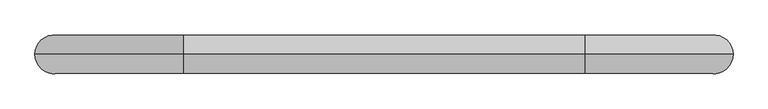
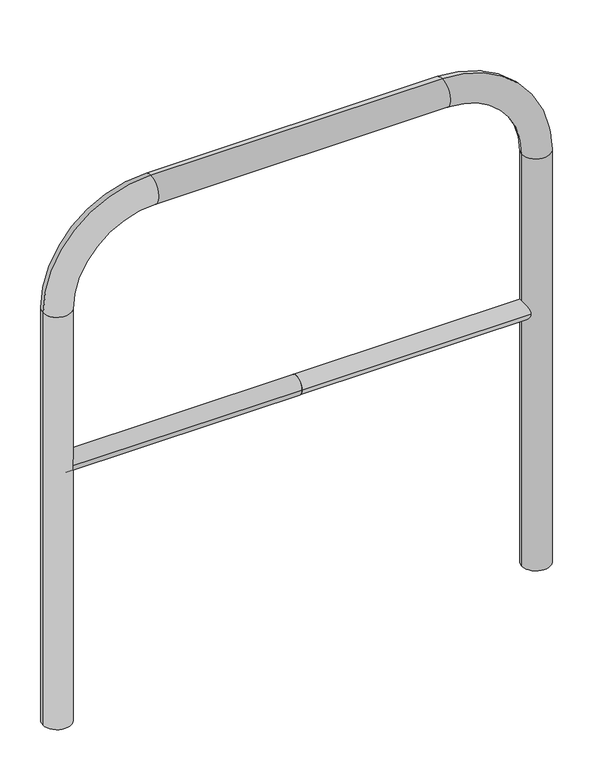
"""IFC4 building model written with IfcOpenShell, lengths in millimetres: proxy geometry."""

from ifc_helpers import new_model, si_unit, point, frame, frame_2d, origin, place, context, project, spatial, circle_curve, ellipse_curve, trimmed, segment, composite_curve, outline, extrude, source, transform, mapped, element, save
from ifc_brep_helpers import plane_surface, cylinder_surface, revolved_surface, advanced_brep


def generic_models_d5940562(model_context):
    return source(origin(), model_context, "Body", "SolidModel", [
        extrude(outline(composite_curve([segment(trimmed(circle_curve(frame_2d((0.0, 498.4778375)), 20.0), [point((-20.0, 498.4778375))], [point((20.0, 498.4778375))], False, "CARTESIAN"), True, "CONTINUOUS"), segment(trimmed(circle_curve(frame_2d((0.0, 498.4778375)), 20.0), [point((20.0, 498.4778375))], [point((-20.0, 498.4778375))], False, "CARTESIAN"), True, "CONTINUOUS")], self_intersect=False)), frame((-511.5535869, 0.0, 0.0), z_axis=(1.0, 0.0, 0.0), x_axis=(0.0, 1.0, 0.0)), (0.0, 0.0, 1.0), 511.5535869),
        extrude(outline(composite_curve([segment(trimmed(circle_curve(frame_2d((0.0, 498.4778375)), 20.0), [point((-20.0, 498.4778375))], [point((20.0, 498.4778375))], False, "CARTESIAN"), True, "CONTINUOUS"), segment(trimmed(circle_curve(frame_2d((0.0, 498.4778375)), 20.0), [point((20.0, 498.4778375))], [point((-20.0, 498.4778375))], False, "CARTESIAN"), True, "CONTINUOUS")], self_intersect=False)), frame((0.0, 0.0, 0.0), z_axis=(1.0, 0.0, 0.0), x_axis=(0.0, 1.0, 0.0)), (0.0, 0.0, 1.0), 511.5535869),
        advanced_brep(
        [(-481.5535869, 0.0, -80.0), (-541.5535869, 0.0, -80.0), (-481.5535869, 0.0, 850.0), (-541.5535869, 0.0, 850.0), (-311.5535869, 0.0, 1080.0), (-311.5535869, 0.0, 1020.0), (311.5535869, 0.0, 1020.0), (311.5535869, 0.0, 1080.0), (541.5535869, 0.0, 850.0), (481.5535869, 0.0, 850.0), (481.5535869, 0.0, -80.0), (541.5535869, 0.0, -80.0)],
        [
            (0, 1, circle_curve(frame((-511.5535869, 0.0, -80.0), z_axis=(0.0, 0.0, -1.0), x_axis=(-1.0, 0.0, 0.0)), 30.0)),
            (1, 0, circle_curve(frame((-511.5535869, 0.0, -80.0), z_axis=(0.0, 0.0, -1.0), x_axis=(-1.0, 0.0, 0.0)), 30.0)),
            (0, 2),
            (2, 3, circle_curve(frame((-511.5535869, 0.0, 850.0), z_axis=(0.0, 0.0, -1.0), x_axis=(-1.0, 0.0, 0.0)), 30.0)),
            (3, 1),
            (3, 2, circle_curve(frame((-511.5535869, 0.0, 850.0), z_axis=(0.0, 0.0, -1.0), x_axis=(-1.0, 0.0, 0.0)), 30.0)),
            (4, 3, circle_curve(frame((-311.5535869, 0.0, 850.0), z_axis=(0.0, -1.0, 0.0), x_axis=(-1.0, 0.0, 0.0)), 230.0)),
            (2, 5, circle_curve(frame((-311.5535869, 0.0, 850.0), z_axis=(0.0, 1.0, 0.0), x_axis=(-1.0, 0.0, 0.0)), 170.0)),
            (5, 4, circle_curve(frame((-311.5535869, 0.0, 1050.0), z_axis=(-1.0, 0.0, 0.0), x_axis=(0.0, 0.0, 1.0)), 30.0)),
            (4, 5, circle_curve(frame((-311.5535869, 0.0, 1050.0), z_axis=(-1.0, 0.0, 0.0), x_axis=(0.0, 0.0, 1.0)), 30.0)),
            (5, 6),
            (6, 7, circle_curve(frame((311.5535869, 0.0, 1050.0), z_axis=(-1.0, 0.0, 0.0), x_axis=(0.0, 0.0, 1.0)), 30.0)),
            (7, 4),
            (7, 6, circle_curve(frame((311.5535869, 0.0, 1050.0), z_axis=(-1.0, 0.0, 0.0), x_axis=(0.0, 0.0, 1.0)), 30.0)),
            (8, 7, circle_curve(frame((311.5535869, 0.0, 850.0), z_axis=(0.0, -1.0, 0.0), x_axis=(0.0, 0.0, 1.0)), 230.0)),
            (6, 9, circle_curve(frame((311.5535869, 0.0, 850.0), z_axis=(0.0, 1.0, 0.0), x_axis=(0.0, 0.0, 1.0)), 170.0)),
            (9, 8, circle_curve(frame((511.5535869, 0.0, 850.0), z_axis=(0.0, 0.0, 1.0), x_axis=(1.0, 0.0, 0.0)), 30.0)),
            (8, 9, circle_curve(frame((511.5535869, 0.0, 850.0), z_axis=(0.0, 0.0, 1.0), x_axis=(1.0, 0.0, 0.0)), 30.0)),
            (10, 11, circle_curve(frame((511.5535869, 0.0, -80.0), z_axis=(0.0, 0.0, -1.0), x_axis=(1.0, 0.0, 0.0)), 30.0)),
            (11, 10, circle_curve(frame((511.5535869, 0.0, -80.0), z_axis=(0.0, 0.0, -1.0), x_axis=(1.0, 0.0, 0.0)), 30.0)),
            (9, 10),
            (11, 8),
        ],
        [
            plane_surface(frame((-511.5535869, 0.0, -80.0), z_axis=(0.0, 0.0, -1.0), x_axis=(0.0, -1.0, 0.0))),
            cylinder_surface(frame((-511.5535869, 0.0, -80.0), z_axis=(0.0, 0.0, -1.0), x_axis=(-1.0, 0.0, 0.0)), 30.0),
            revolved_surface(trimmed(ellipse_curve(frame((-511.5535869, 0.0, 850.0), z_axis=(0.0, 0.0, -1.0), x_axis=(-1.0, 0.0, 0.0)), 30.0, 30.0), [point((-481.5535869, 0.0, 850.0))], [point((-541.5535869, 0.0, 850.0))], True, "CARTESIAN"), (-311.5535869, 0.0, 850.0), (0.0, 1.0, 0.0)),
            revolved_surface(trimmed(ellipse_curve(frame((-511.5535869, 0.0, 850.0), z_axis=(0.0, 0.0, -1.0), x_axis=(-1.0, 0.0, 0.0)), 30.0, 30.0), [point((-541.5535869, 0.0, 850.0))], [point((-481.5535869, 0.0, 850.0))], True, "CARTESIAN"), (-311.5535869, 0.0, 850.0), (0.0, 1.0, 0.0)),
            cylinder_surface(frame((-311.5535869, 0.0, 1050.0), z_axis=(-1.0, 0.0, 0.0), x_axis=(0.0, 0.0, 1.0)), 30.0),
            revolved_surface(trimmed(ellipse_curve(frame((311.5535869, 0.0, 1050.0), z_axis=(-1.0, 0.0, 0.0), x_axis=(0.0, 0.0, 1.0)), 30.0, 30.0), [point((311.5535869, 0.0, 1020.0))], [point((311.5535869, 0.0, 1080.0))], True, "CARTESIAN"), (311.5535869, 0.0, 850.0), (0.0, 1.0, 0.0)),
            revolved_surface(trimmed(ellipse_curve(frame((311.5535869, 0.0, 1050.0), z_axis=(-1.0, 0.0, 0.0), x_axis=(0.0, 0.0, 1.0)), 30.0, 30.0), [point((311.5535869, 0.0, 1080.0))], [point((311.5535869, 0.0, 1020.0))], True, "CARTESIAN"), (311.5535869, 0.0, 850.0), (0.0, 1.0, 0.0)),
            plane_surface(frame((511.5535869, 0.0, -80.0), z_axis=(0.0, 0.0, -1.0), x_axis=(0.0, -1.0, 0.0))),
            cylinder_surface(frame((511.5535869, 0.0, 850.0), z_axis=(0.0, 0.0, 1.0), x_axis=(1.0, 0.0, 0.0)), 30.0),
        ],
        [
            (0, [[1, 2]]),
            (1, [[-1, 3, 4, 5]]),
            (1, [[-2, -5, 6, -3]]),
            (2, [[7, -4, 8, 9]]),
            (3, [[-8, -6, -7, 10]]),
            (4, [[-9, 11, 12, 13]]),
            (4, [[-10, -13, 14, -11]]),
            (5, [[15, -12, 16, 17]]),
            (6, [[-16, -14, -15, 18]]),
            (7, [[19, 20]]),
            (8, [[-17, 21, -20, 22]]),
            (8, [[-18, -22, -19, -21]]),
        ],
    ),
    ])


if __name__ == "__main__":
    model = new_model("IFC4")
    model_context = context("Model", 3, world=origin())
    ifc_project = project(units=[si_unit("LENGTHUNIT", "METRE", prefix="MILLI")], contexts=[model_context])
    site = spatial("IfcSite", under=ifc_project)
    building = spatial("IfcBuilding", under=site)
    placement = place(None, origin())
    generic_models_shape = generic_models_d5940562(model_context)
    element("IfcBuildingElementProxy", 1, Name="Generic Models", at=placement, inside=building, context=model_context, shape_type="MappedRepresentation", body=[
        mapped(generic_models_shape, transform((0.0, 0.0, 0.0), x_axis=(1.0, 0.0, 0.0), y_axis=(0.0, 1.0, 0.0), z_axis=(0.0, 0.0, 1.0))),
    ])
    save(model, "model.ifc")
